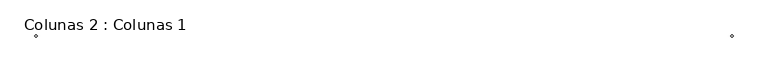
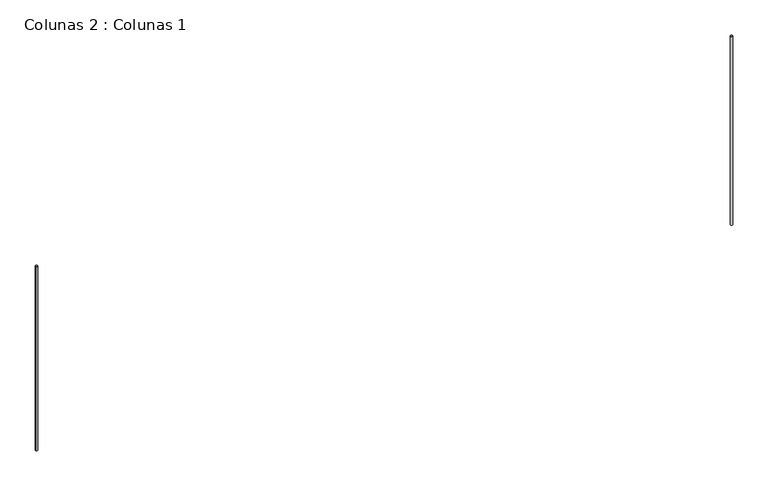
"""IFC4 building model written with IfcOpenShell, lengths in millimetres: column geometry, Colunas 2 : Colunas 1."""

import ifcopenshell
import ifcopenshell.guid

model = None  # the IFC model being written
_history = None  # IfcOwnerHistory: only IFC2X3 demands one
_inside = {}  # id of a spatial element -> (the spatial element, [elements in it])
_under = {}  # id of a project, library or spatial element -> (it, [spatial elements below it])
_declared = {}  # id of a project -> (the project, [libraries it declares])
_typed = {}  # id of a type object -> (the type object, [elements of that type])
_made_of = {}  # id of a material, layer set ... -> (it, [elements and type objects made of it])


def new_model(schema):
    """Start an empty IFC model of exactly this schema.

    Asked for "IFC4X3", IfcOpenShell would pick the latest addendum, in which some entities
    have other attributes; the version numbers below select the first issue.
    IFC2X3 requires an IfcOwnerHistory on every rooted entity: one is made here for all.
    """
    global model, _history
    if schema == "IFC4X3":
        model = ifcopenshell.file(schema_version=(4, 3, 0, 0))
    else:
        model = ifcopenshell.file(schema=schema)
    _inside.clear()
    _under.clear()
    _declared.clear()
    _typed.clear()
    _made_of.clear()
    _history = None
    if model.schema == "IFC2X3":
        org = make("IfcOrganization", Name="unknown")
        user = make(
            "IfcPersonAndOrganization",
            ThePerson=make("IfcPerson", FamilyName="unknown"),
            TheOrganization=org,
        )
        app = make(
            "IfcApplication",
            ApplicationDeveloper=org,
            Version="unknown",
            ApplicationFullName="unknown",
            ApplicationIdentifier="unknown",
        )
        _history = make(
            "IfcOwnerHistory",
            OwningUser=user,
            OwningApplication=app,
            ChangeAction="ADDED",
            CreationDate=0,
        )
    return model


def make(cls, **values):
    """One entity of the class cls with the attributes given. An attribute that is None is left unset."""
    return model.create_entity(
        cls, **{name: value for name, value in values.items() if value is not None}
    )


def rooted(cls, **values):
    """An entity with a GlobalId (a new one), such as an element, a storey or a relation."""
    return make(cls, GlobalId=ifcopenshell.guid.new(), OwnerHistory=_history, **values)


def si_unit(unit_type, name, prefix=None):
    """IfcSIUnit, for example si_unit("LENGTHUNIT", "METRE", prefix="MILLI")."""
    return make("IfcSIUnit", UnitType=unit_type, Prefix=prefix, Name=name)


def assignment(units):
    """IfcUnitAssignment: the units of a project."""
    return None if units is None else make("IfcUnitAssignment", Units=units)


def point(xyz):
    """IfcCartesianPoint."""
    return None if xyz is None else make("IfcCartesianPoint", Coordinates=xyz)


def direction(xyz):
    """IfcDirection."""
    return None if xyz is None else make("IfcDirection", DirectionRatios=xyz)


def frame(location, z_axis=None, x_axis=None):
    """IfcAxis2Placement3D, a coordinate frame: its origin and axes. An axis left out is left unset."""
    return make(
        "IfcAxis2Placement3D",
        Location=point(location),
        Axis=direction(z_axis),
        RefDirection=direction(x_axis),
    )


def frame_2d(location, x_axis=None):
    """IfcAxis2Placement2D, a coordinate frame in the plane: its origin and x axis."""
    return make(
        "IfcAxis2Placement2D", Location=point(location), RefDirection=direction(x_axis)
    )


def origin():
    """The frame at (0, 0, 0) with its axes left unset."""
    return frame((0.0, 0.0, 0.0))


def place(relative_to, where):
    """IfcLocalPlacement: puts the frame where relative to a parent placement (None: the world)."""
    return make(
        "IfcLocalPlacement", PlacementRelTo=relative_to, RelativePlacement=where
    )


def context(
    kind, dimensions, precision=None, world=None, true_north=None, identifier=None
):
    """IfcGeometricRepresentationContext, for example the 3D "Model" context."""
    return make(
        "IfcGeometricRepresentationContext",
        ContextIdentifier=identifier,
        ContextType=kind,
        CoordinateSpaceDimension=dimensions,
        Precision=precision,
        WorldCoordinateSystem=world,
        TrueNorth=true_north,
    )


def project(units=None, contexts=None):
    """IfcProject with its units and contexts."""
    return rooted(
        "IfcProject",
        Name="project",
        RepresentationContexts=contexts,
        UnitsInContext=assignment(units),
    )


def spatial(cls, under=None, at=None, **own):
    """A site, building, storey or space (cls), placed at a placement, below another one or the project."""
    s = rooted(cls, ObjectPlacement=at, **own)
    if under is not None:
        _under.setdefault(under.id(), (under, []))[1].append(s)
    return s


def circle_curve(where, radius):
    """IfcCircle in the frame where."""
    return make("IfcCircle", Position=where, Radius=radius)


def trimmed(basis, trim1, trim2, sense, master):
    """IfcTrimmedCurve: the piece of a basis curve between two trims."""
    return make(
        "IfcTrimmedCurve",
        BasisCurve=basis,
        Trim1=trim1,
        Trim2=trim2,
        SenseAgreement=sense,
        MasterRepresentation=master,
    )


def segment(curve, same_sense, transition):
    """IfcCompositeCurveSegment."""
    return make(
        "IfcCompositeCurveSegment",
        Transition=transition,
        SameSense=same_sense,
        ParentCurve=curve,
    )


def composite_curve(segments, self_intersect=None):
    """IfcCompositeCurve: segments joined end to end."""
    return make("IfcCompositeCurve", Segments=segments, SelfIntersect=self_intersect)


def outline(outer, holes=None, kind="AREA"):
    """IfcArbitraryClosedProfileDef: a profile drawn as a closed curve; with holes, ...WithVoids."""
    if holes is None:
        return make("IfcArbitraryClosedProfileDef", ProfileType=kind, OuterCurve=outer)
    return make(
        "IfcArbitraryProfileDefWithVoids",
        ProfileType=kind,
        OuterCurve=outer,
        InnerCurves=holes,
    )


def extrude(swept, where, along, depth):
    """IfcExtrudedAreaSolid: the profile swept, set in the frame where, extruded along a direction by depth."""
    return make(
        "IfcExtrudedAreaSolid",
        SweptArea=swept,
        Position=where,
        ExtrudedDirection=direction(along),
        Depth=depth,
    )


def shape(context_of_items, identifier, shape_type, items):
    """IfcShapeRepresentation: the items that make up one representation, for example the "Body"."""
    return make(
        "IfcShapeRepresentation",
        ContextOfItems=context_of_items,
        RepresentationIdentifier=identifier,
        RepresentationType=shape_type,
        Items=items,
    )


def source(mapping_origin, context_of_items, identifier, shape_type, items):
    """IfcRepresentationMap: a shape defined once, which mapped items show again and again."""
    return make(
        "IfcRepresentationMap",
        MappingOrigin=mapping_origin,
        MappedRepresentation=shape(context_of_items, identifier, shape_type, items),
    )


def transform(
    local_origin,
    x_axis=None,
    y_axis=None,
    z_axis=None,
    scale=None,
    scale2=None,
    scale3=None,
    uniform=True,
):
    """IfcCartesianTransformationOperator3D, or its non-uniform kind. x_axis, y_axis, z_axis: its Axis1, 2, 3."""
    if uniform:
        return make(
            "IfcCartesianTransformationOperator3D",
            Axis1=direction(x_axis),
            Axis2=direction(y_axis),
            LocalOrigin=point(local_origin),
            Scale=scale,
            Axis3=direction(z_axis),
        )
    return make(
        "IfcCartesianTransformationOperator3DnonUniform",
        Axis1=direction(x_axis),
        Axis2=direction(y_axis),
        LocalOrigin=point(local_origin),
        Scale=scale,
        Axis3=direction(z_axis),
        Scale2=scale2,
        Scale3=scale3,
    )


def mapped(mapping_source, mapping_target):
    """IfcMappedItem: shows the shape of a source again, moved by a transform."""
    return make(
        "IfcMappedItem", MappingSource=mapping_source, MappingTarget=mapping_target
    )


def made_of(thing, what):
    """Note that an element or type object is made of a material, layer set ...; save() writes the relation."""
    if what is not None:
        _made_of.setdefault(what.id(), (what, []))[1].append(thing)
    return thing


def element(
    cls,
    number,
    at=None,
    inside=None,
    cuts=None,
    type_object=None,
    material=None,
    context=None,
    identifier="Body",
    shape_type=None,
    held_by="IfcProductDefinitionShape",
    body=None,
    shapes=None,
    **own,
):
    """One element of the class cls, such as IfcWall. Its Tag is "e" and its number.

    at: its placement. inside: the storey or other place that contains it. cuts: it is an
    opening in that element (IfcRelVoidsElement). A single representation is given by context,
    identifier, shape_type and body (its items); several are given by shapes. held_by: the class
    of the entity that holds the representations. save() writes the other relations.
    """
    e = rooted(cls, Tag="e%d" % number, ObjectPlacement=at, **own)
    if body is not None:
        shapes = [shape(context, identifier, shape_type, body)]
    if shapes is not None:
        e.Representation = make(held_by, Representations=shapes)
    if inside is not None:
        _inside.setdefault(inside.id(), (inside, []))[1].append(e)
    if cuts is not None:
        rooted(
            "IfcRelVoidsElement", RelatingBuildingElement=cuts, RelatedOpeningElement=e
        )
    if type_object is not None:
        _typed.setdefault(type_object.id(), (type_object, []))[1].append(e)
    return made_of(e, material)


def aggregate(whole, parts):
    """IfcRelAggregates: a whole, such as a stair, and the parts it consists of."""
    return rooted("IfcRelAggregates", RelatingObject=whole, RelatedObjects=parts)


def save(model, path):
    """Write the relations noted so far, then the file.

    IfcRelAggregates (storeys below a building ...), IfcRelContainedInSpatialStructure (elements
    in a storey), IfcRelDefinesByType, IfcRelAssociatesMaterial and IfcRelDeclares: one each for
    every whole, place, type object, material and project.
    """
    for whole, parts in _under.values():
        aggregate(whole, parts)
    for where, things in _inside.values():
        rooted(
            "IfcRelContainedInSpatialStructure",
            RelatedElements=things,
            RelatingStructure=where,
        )
    for kind, things in _typed.values():
        rooted("IfcRelDefinesByType", RelatedObjects=things, RelatingType=kind)
    for what, things in _made_of.values():
        rooted("IfcRelAssociatesMaterial", RelatedObjects=things, RelatingMaterial=what)
    for by, libraries in _declared.values():
        rooted("IfcRelDeclares", RelatingContext=by, RelatedDefinitions=libraries)
    model.write(path)


def colunas_2_colunas_1_aef503bc(model_context):
    return source(origin(), model_context, "Body", "SweptSolid", [
        extrude(outline(composite_curve([segment(trimmed(circle_curve(frame_2d((-13656.6171337, -24671.7932918)), 50.0), [point((-13706.6171337, -24671.7932918))], [point((-13606.6171337, -24671.7932918))], False, "CARTESIAN"), True, "CONTINUOUS"), segment(trimmed(circle_curve(frame_2d((-13656.6171337, -24671.7932918)), 50.0), [point((-13606.6171337, -24671.7932918))], [point((-13706.6171337, -24671.7932918))], False, "CARTESIAN"), True, "CONTINUOUS")], self_intersect=False)), frame((0.0, 0.0, -186.7295642), z_axis=(0.0, 0.0, 1.0), x_axis=(1.0, 0.0, 0.0)), (0.0, 0.0, 1.0), 9186.0058959),
        extrude(outline(composite_curve([segment(trimmed(circle_curve(frame_2d((19164.6531613, -24671.7932918)), 50.0), [point((19114.6531613, -24671.7932918))], [point((19214.6531613, -24671.7932918))], False, "CARTESIAN"), True, "CONTINUOUS"), segment(trimmed(circle_curve(frame_2d((19164.6531613, -24671.7932918)), 50.0), [point((19214.6531613, -24671.7932918))], [point((19114.6531613, -24671.7932918))], False, "CARTESIAN"), True, "CONTINUOUS")], self_intersect=False)), frame((0.0, 0.0, -421.4850154), z_axis=(0.0, 0.0, 1.0), x_axis=(1.0, 0.0, 0.0)), (0.0, 0.0, 1.0), 9423.1992434),
    ])


if __name__ == "__main__":
    model = new_model("IFC4")
    model_context = context("Model", 3, world=origin())
    ifc_project = project(units=[si_unit("LENGTHUNIT", "METRE", prefix="MILLI")], contexts=[model_context])
    site = spatial("IfcSite", under=ifc_project)
    building = spatial("IfcBuilding", under=site)
    placement = place(None, origin())
    colunas_2_colunas_1_shape = colunas_2_colunas_1_aef503bc(model_context)
    element("IfcColumn", 1, ObjectType="Colunas 2 : Colunas 1", at=placement, inside=building, context=model_context, shape_type="MappedRepresentation", body=[
        mapped(colunas_2_colunas_1_shape, transform((0.0, 0.0, 0.0), x_axis=(1.0, 0.0, 0.0), y_axis=(0.0, 1.0, 0.0), z_axis=(0.0, 0.0, 1.0))),
    ])
    save(model, "model.ifc")
